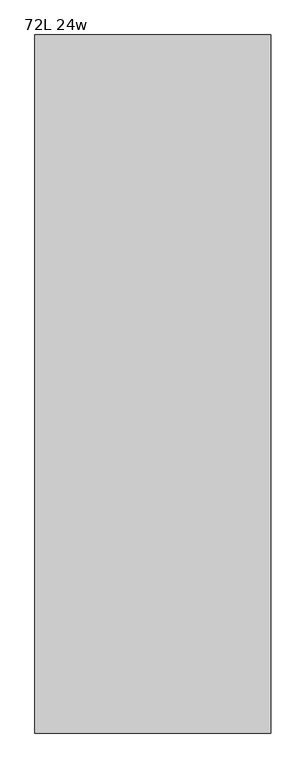
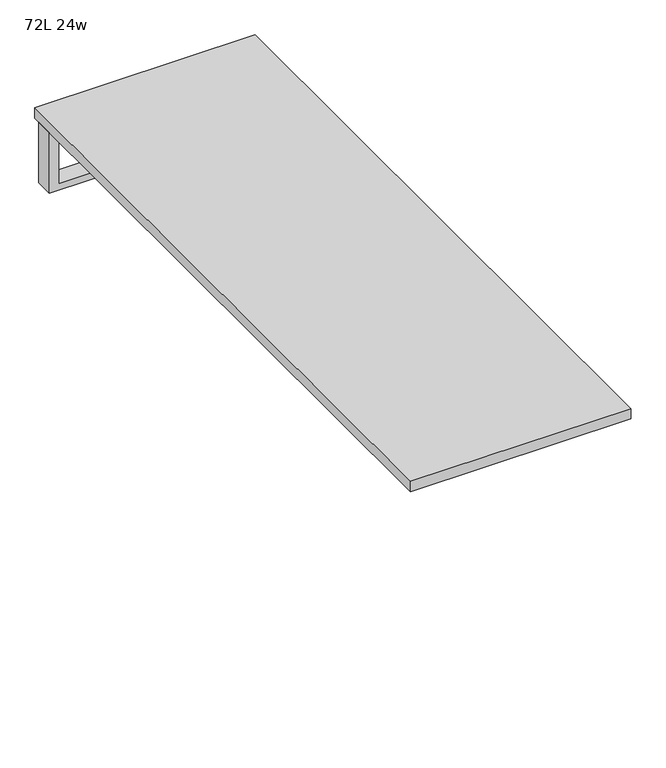
"""IFC4 building model written with IfcOpenShell, lengths in millimetres: furniture geometry, 72L 24w."""

from ifc_helpers import new_model, si_unit, frame, origin, place, context, project, spatial, polyline, outline, extrude, source, transform, mapped, element, save


def furniture_72l_24w_4a7cbf60(model_context):
    return source(origin(), model_context, "Body", "SweptSolid", [
        extrude(outline(polyline([(-279.4, 841.375), (-279.4, 873.125), (254.0, 873.125), (254.0, 841.375), (-279.4, 841.375)])), frame((0.0, 0.0, 661.9875), z_axis=(0.0, 0.0, 1.0), x_axis=(1.0, 0.0, 0.0)), (0.0, 0.0, 1.0), 44.45),
        extrude(outline(polyline([(528.6375, 254.0), (0.0, 254.0), (0.0, 279.4), (706.4375, 279.4), (706.4375, 254.0), (547.6875, 254.0), (547.6875, -279.4), (706.4375, -279.4), (706.4375, -304.8), (528.6375, -304.8), (528.6375, 254.0)])), frame((0.0, 831.85, 0.0), z_axis=(0.0, 1.0, 0.0), x_axis=(0.0, 0.0, 1.0)), (0.0, 0.0, 1.0), 50.8),
        extrude(outline(polyline([(-304.8, 901.7), (304.8, 901.7), (304.8, -901.7), (-304.8, -901.7), (-304.8, 901.7)])), frame((0.0, 0.0, 706.4375), z_axis=(0.0, 0.0, 1.0), x_axis=(1.0, 0.0, 0.0)), (0.0, 0.0, 1.0), 30.1625),
    ])


if __name__ == "__main__":
    model = new_model("IFC4")
    model_context = context("Model", 3, world=origin())
    ifc_project = project(units=[si_unit("LENGTHUNIT", "METRE", prefix="MILLI")], contexts=[model_context])
    site = spatial("IfcSite", under=ifc_project)
    building = spatial("IfcBuilding", under=site)
    placement = place(None, origin())
    furniture_72l_24w_shape = furniture_72l_24w_4a7cbf60(model_context)
    element("IfcFurniture", 1, ObjectType="72L 24w", at=placement, inside=building, context=model_context, shape_type="MappedRepresentation", body=[
        mapped(furniture_72l_24w_shape, transform((0.0, 0.0, 0.0), x_axis=(1.0, 0.0, 0.0), y_axis=(0.0, 1.0, 0.0), z_axis=(0.0, 0.0, 1.0))),
    ])
    save(model, "model.ifc")
